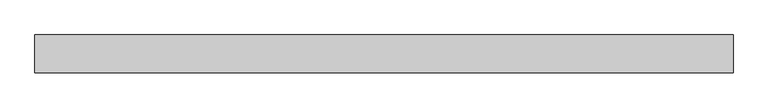
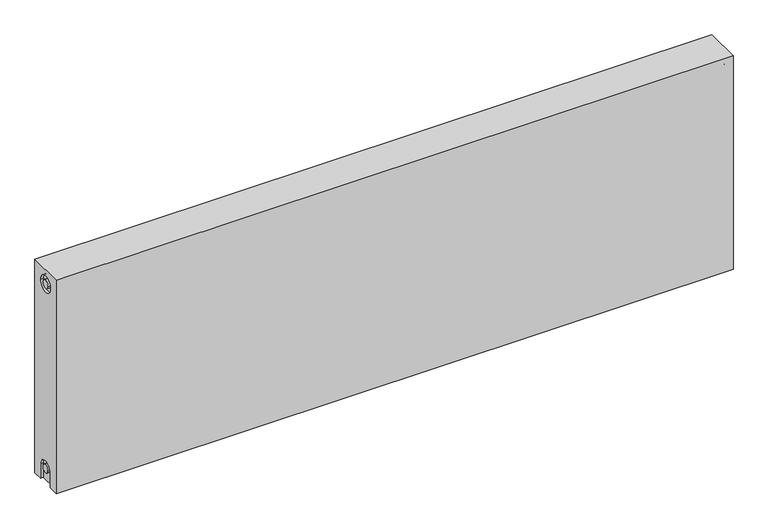
"""IFC4 building model written with IfcOpenShell, lengths in millimetres: proxy geometry."""

from ifc_helpers import new_model, si_unit, frame, origin, place, context, project, spatial, polyline, circle_curve, source, transform, mapped, element, save
from ifc_brep_helpers import plane_surface, cylinder_surface, revolved_surface, advanced_brep


def mechanical_equipment_09b6a0ab(model_context):
    return source(origin(), model_context, "Body", "AdvancedBrep", [
        advanced_brep(
        [(1200.0, 32.5, 400.0), (1200.0, 32.5, 0.0), (0.0, 32.5, 0.0), (0.0, 32.5, 400.0), (1200.0, -32.5, 400.0), (0.0, -32.5, 400.0), (0.0, -32.5, 0.0), (1200.0, -32.5, 0.0), (1200.0, -15.0, 0.0), (1200.0, -15.0, 27.0), (1200.0, 15.0, 27.0), (1200.0, 15.0, 0.0), (1200.0, 14.7242393, 373.0), (1200.0, -15.2757607, 373.0), (1200.0, -7.5, 27.0), (1200.0, 7.5, 27.0), (1200.0, 7.2242393, 373.0), (1200.0, -7.7757607, 373.0), (1195.0, 15.0, 0.0), (1195.0, -15.0, 0.0), (0.0, -15.0, 0.0), (5.0, -15.0, 0.0), (5.0, 15.0, 0.0), (0.0, 15.0, 0.0), (0.0, 15.0, 27.0), (0.0, -15.0, 27.0), (0.0, -15.2757607, 373.0), (0.0, 14.7242393, 373.0), (0.0, -7.7757607, 373.0), (0.0, 7.2242393, 373.0), (0.0, 7.5682726, 27.0), (0.0, -7.4317274, 27.0), (5.0, -15.2757607, 373.0), (5.0, 14.7242393, 373.0), (5.0, -7.7757607, 373.0), (5.0, 7.2242393, 373.0), (5.0, -15.0, 27.0), (5.0, 15.0, 27.0), (5.0, -7.4317274, 27.0), (5.0, 7.5682726, 27.0), (1195.0, 15.0, 27.0), (1195.0, -15.0, 27.0), (1195.0, -7.5, 27.0), (1195.0, 7.5, 27.0), (1195.0, -15.2757607, 373.0), (1195.0, 14.7242393, 373.0), (1195.0, -7.7757607, 373.0), (1195.0, 7.2242393, 373.0)],
        [
            (0, 1),
            (1, 2),
            (2, 3),
            (3, 0),
            (4, 5),
            (5, 6),
            (6, 7),
            (7, 4),
            (0, 4),
            (7, 8),
            (8, 9),
            (9, 10, circle_curve(frame((1200.0, 0.0, 27.0), z_axis=(-1.0, 0.0, 0.0), x_axis=(0.0, 1.0, 0.0)), 15.0)),
            (10, 11),
            (11, 1),
            (12, 13, circle_curve(frame((1200.0, -0.2757607, 373.0), z_axis=(-1.0, 0.0, 0.0), x_axis=(0.0, 1.0, 0.0)), 15.0)),
            (13, 12, circle_curve(frame((1200.0, -0.2757607, 373.0), z_axis=(-1.0, 0.0, 0.0), x_axis=(0.0, 1.0, 0.0)), 15.0)),
            (14, 15, circle_curve(frame((1200.0, 0.0, 27.0), z_axis=(1.0, 0.0, 0.0), x_axis=(0.0, 1.0, 0.0)), 7.5)),
            (15, 14, circle_curve(frame((1200.0, 0.0, 27.0), z_axis=(1.0, 0.0, 0.0), x_axis=(0.0, 1.0, 0.0)), 7.5)),
            (16, 17, circle_curve(frame((1200.0, -0.2757607, 373.0), z_axis=(1.0, 0.0, 0.0), x_axis=(0.0, 1.0, 0.0)), 7.5)),
            (17, 16, circle_curve(frame((1200.0, -0.2757607, 373.0), z_axis=(1.0, 0.0, 0.0), x_axis=(0.0, 1.0, 0.0)), 7.5)),
            (11, 18),
            (18, 19),
            (19, 8),
            (6, 20),
            (20, 21),
            (21, 22),
            (22, 23),
            (23, 2),
            (23, 24),
            (24, 25, circle_curve(frame((0.0, 0.0, 27.0), z_axis=(1.0, 0.0, 0.0), x_axis=(0.0, 1.0, 0.0)), 15.0)),
            (25, 20),
            (5, 3),
            (26, 27, circle_curve(frame((0.0, -0.2757607, 373.0), z_axis=(1.0, 0.0, 0.0), x_axis=(0.0, 1.0, 0.0)), 15.0)),
            (27, 26, circle_curve(frame((0.0, -0.2757607, 373.0), z_axis=(1.0, 0.0, 0.0), x_axis=(0.0, 1.0, 0.0)), 15.0)),
            (28, 29, circle_curve(frame((0.0, -0.2757607, 373.0), z_axis=(-1.0, 0.0, 0.0), x_axis=(0.0, 1.0, 0.0)), 7.5)),
            (29, 28, circle_curve(frame((0.0, -0.2757607, 373.0), z_axis=(-1.0, 0.0, 0.0), x_axis=(0.0, 1.0, 0.0)), 7.5)),
            (30, 31, circle_curve(frame((0.0, 0.0682726, 27.0), z_axis=(-1.0, 0.0, 0.0), x_axis=(0.0, 1.0, 0.0)), 7.5)),
            (31, 30, circle_curve(frame((0.0, 0.0682726, 27.0), z_axis=(-1.0, 0.0, 0.0), x_axis=(0.0, 1.0, 0.0)), 7.5)),
            (32, 33, circle_curve(frame((5.0, -0.2757607, 373.0), z_axis=(-1.0, 0.0, 0.0), x_axis=(0.0, 1.0, 0.0)), 15.0)),
            (33, 32, circle_curve(frame((5.0, -0.2757607, 373.0), z_axis=(-1.0, 0.0, 0.0), x_axis=(0.0, 1.0, 0.0)), 15.0)),
            (34, 35, circle_curve(frame((5.0, -0.2757607, 373.0), z_axis=(1.0, 0.0, 0.0), x_axis=(0.0, 1.0, 0.0)), 7.5)),
            (35, 34, circle_curve(frame((5.0, -0.2757607, 373.0), z_axis=(1.0, 0.0, 0.0), x_axis=(0.0, 1.0, 0.0)), 7.5)),
            (33, 27),
            (26, 32),
            (35, 29),
            (28, 34),
            (21, 36),
            (36, 37, circle_curve(frame((5.0, 0.0, 27.0), z_axis=(-1.0, 0.0, 0.0), x_axis=(0.0, 1.0, 0.0)), 15.0)),
            (37, 22),
            (38, 39, circle_curve(frame((5.0, 0.0682726, 27.0), z_axis=(1.0, 0.0, 0.0), x_axis=(0.0, 1.0, 0.0)), 7.5)),
            (39, 38, circle_curve(frame((5.0, 0.0682726, 27.0), z_axis=(1.0, 0.0, 0.0), x_axis=(0.0, 1.0, 0.0)), 7.5)),
            (38, 31),
            (30, 39),
            (37, 24),
            (36, 25),
            (18, 40),
            (40, 41, circle_curve(frame((1195.0, 0.0, 27.0), z_axis=(1.0, 0.0, 0.0), x_axis=(0.0, 1.0, 0.0)), 15.0)),
            (41, 19),
            (42, 43, circle_curve(frame((1195.0, 0.0, 27.0), z_axis=(-1.0, 0.0, 0.0), x_axis=(0.0, 1.0, 0.0)), 7.5)),
            (43, 42, circle_curve(frame((1195.0, 0.0, 27.0), z_axis=(-1.0, 0.0, 0.0), x_axis=(0.0, 1.0, 0.0)), 7.5)),
            (43, 15),
            (14, 42),
            (10, 40),
            (9, 41),
            (44, 45, circle_curve(frame((1195.0, -0.2757607, 373.0), z_axis=(1.0, 0.0, 0.0), x_axis=(0.0, 1.0, 0.0)), 15.0)),
            (45, 44, circle_curve(frame((1195.0, -0.2757607, 373.0), z_axis=(1.0, 0.0, 0.0), x_axis=(0.0, 1.0, 0.0)), 15.0)),
            (46, 47, circle_curve(frame((1195.0, -0.2757607, 373.0), z_axis=(-1.0, 0.0, 0.0), x_axis=(0.0, 1.0, 0.0)), 7.5)),
            (47, 46, circle_curve(frame((1195.0, -0.2757607, 373.0), z_axis=(-1.0, 0.0, 0.0), x_axis=(0.0, 1.0, 0.0)), 7.5)),
            (44, 13),
            (12, 45),
            (46, 17),
            (16, 47),
        ],
        [
            plane_surface(frame((1200.0, 32.5, 400.0), z_axis=(0.0, 1.0, 0.0), x_axis=(0.0, 0.0, -1.0))),
            plane_surface(frame((1200.0, -32.5, 400.0), z_axis=(0.0, -1.0, 0.0), x_axis=(0.0, 0.0, 1.0))),
            plane_surface(frame((1200.0, 32.5, 400.0), z_axis=(1.0, 0.0, 0.0), x_axis=(0.0, -1.0, 0.0))),
            plane_surface(frame((1200.0, 32.5, 0.0), z_axis=(0.0, 0.0, -1.0), x_axis=(0.0, -1.0, 0.0))),
            plane_surface(frame((0.0, 32.5, 0.0), z_axis=(-1.0, 0.0, 0.0), x_axis=(0.0, -1.0, 0.0))),
            plane_surface(frame((0.0, 32.5, 400.0), z_axis=(0.0, 0.0, 1.0), x_axis=(0.0, -1.0, 0.0))),
            plane_surface(frame((5.0, 14.7242393, 373.0), z_axis=(-1.0, 0.0, 0.0), x_axis=(0.0, 0.0, 1.0))),
            revolved_surface(polyline([(5.0, 14.7242393, 373.0), (0.0, 14.7242393, 373.0)]), (0.0, -0.2757607, 373.0), (1.0, 0.0, 0.0)),
            cylinder_surface(frame((0.0, -0.2757607, 373.0), z_axis=(-1.0, 0.0, 0.0), x_axis=(0.0, 1.0, 0.0)), 7.5),
            plane_surface(frame((5.0, 7.5682726, 27.0), z_axis=(-1.0, 0.0, 0.0), x_axis=(0.0, 0.0, -1.0))),
            cylinder_surface(frame((0.0, 0.0682726, 27.0), z_axis=(-1.0, 0.0, 0.0), x_axis=(0.0, 1.0, 0.0)), 7.5),
            plane_surface(frame((5.0, 15.0, 0.0), z_axis=(0.0, -1.0, 0.0), x_axis=(-1.0, 0.0, 0.0))),
            revolved_surface(polyline([(5.0, 15.0, 27.0), (0.0, 15.0, 27.0)]), (0.0, 0.0, 27.0), (1.0, 0.0, 0.0)),
            plane_surface(frame((5.0, -15.0, 27.0), z_axis=(0.0, 1.0, 0.0), x_axis=(-1.0, 0.0, 0.0))),
            plane_surface(frame((1195.0, 7.5, 27.0), z_axis=(1.0, 0.0, 0.0), x_axis=(0.0, 0.0, 1.0))),
            cylinder_surface(frame((1195.0, 0.0, 27.0), z_axis=(-1.0, 0.0, 0.0), x_axis=(0.0, 1.0, 0.0)), 7.5),
            plane_surface(frame((1200.0, 15.0, 0.0), z_axis=(0.0, -1.0, 0.0), x_axis=(-1.0, 0.0, 0.0))),
            revolved_surface(polyline([(1200.0, 15.0, 27.0), (1195.0, 15.0, 27.0)]), (895.0, 0.0, 27.0), (1.0, 0.0, 0.0)),
            plane_surface(frame((1200.0, -15.0, 27.0), z_axis=(0.0, 1.0, 0.0), x_axis=(-1.0, 0.0, 0.0))),
            plane_surface(frame((1195.0, 14.7242393, 373.0), z_axis=(1.0, 0.0, 0.0), x_axis=(0.0, 0.0, -1.0))),
            revolved_surface(polyline([(1200.0, 14.7242393, 373.0), (1195.0, 14.7242393, 373.0)]), (1195.0, -0.2757607, 373.0), (1.0, 0.0, 0.0)),
            cylinder_surface(frame((895.0, -0.2757607, 373.0), z_axis=(-1.0, 0.0, 0.0), x_axis=(0.0, 1.0, 0.0)), 7.5),
        ],
        [
            (0, [[1, 2, 3, 4]]),
            (1, [[5, 6, 7, 8]]),
            (2, [[-1, 9, -8, 10, 11, 12, 13, 14], [15, 16]]),
            (2, [[17, 18]]),
            (2, [[19, 20]]),
            (3, [[-2, -14, 21, 22, 23, -10, -7, 24, 25, 26, 27, 28]]),
            (4, [[-3, -28, 29, 30, 31, -24, -6, 32], [33, 34]]),
            (4, [[35, 36]]),
            (4, [[37, 38]]),
            (5, [[-4, -32, -5, -9]]),
            (6, [[39, 40], [41, 42]]),
            (7, [[-40, 43, -33, 44]]),
            (7, [[-39, -44, -34, -43]]),
            (8, [[-42, 45, -35, 46]]),
            (8, [[-41, -46, -36, -45]]),
            (9, [[47, 48, 49, -26], [50, 51]]),
            (10, [[-50, 52, -37, 53]]),
            (10, [[-51, -53, -38, -52]]),
            (11, [[-49, 54, -29, -27]]),
            (12, [[-48, 55, -30, -54]]),
            (13, [[-47, -25, -31, -55]]),
            (14, [[56, 57, 58, -22], [59, 60]]),
            (15, [[-60, 61, -17, 62]]),
            (15, [[-59, -62, -18, -61]]),
            (16, [[-56, -21, -13, 63]]),
            (17, [[-57, -63, -12, 64]]),
            (18, [[-58, -64, -11, -23]]),
            (19, [[65, 66], [67, 68]]),
            (20, [[-65, 69, -15, 70]]),
            (20, [[-66, -70, -16, -69]]),
            (21, [[-67, 71, -19, 72]]),
            (21, [[-68, -72, -20, -71]]),
        ],
    ),
    ])


if __name__ == "__main__":
    model = new_model("IFC4")
    model_context = context("Model", 3, world=origin())
    ifc_project = project(units=[si_unit("LENGTHUNIT", "METRE", prefix="MILLI")], contexts=[model_context])
    site = spatial("IfcSite", under=ifc_project)
    building = spatial("IfcBuilding", under=site)
    placement = place(None, origin())
    mechanical_equipment_shape = mechanical_equipment_09b6a0ab(model_context)
    element("IfcBuildingElementProxy", 1, Name="Mechanical Equipment", at=placement, inside=building, context=model_context, shape_type="MappedRepresentation", body=[
        mapped(mechanical_equipment_shape, transform((0.0, 0.0, 0.0), x_axis=(1.0, 0.0, 0.0), y_axis=(0.0, 1.0, 0.0), z_axis=(0.0, 0.0, 1.0))),
    ])
    save(model, "model.ifc")
